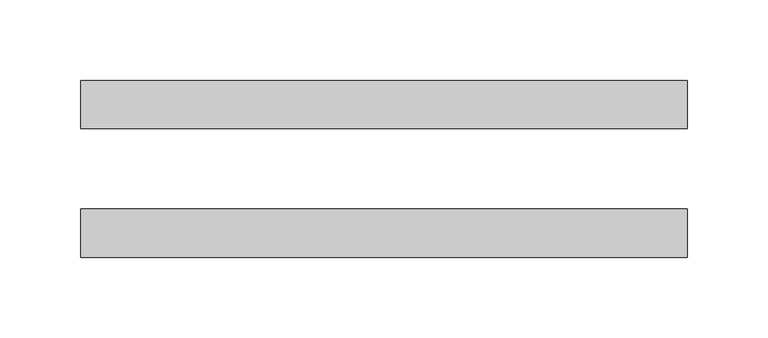
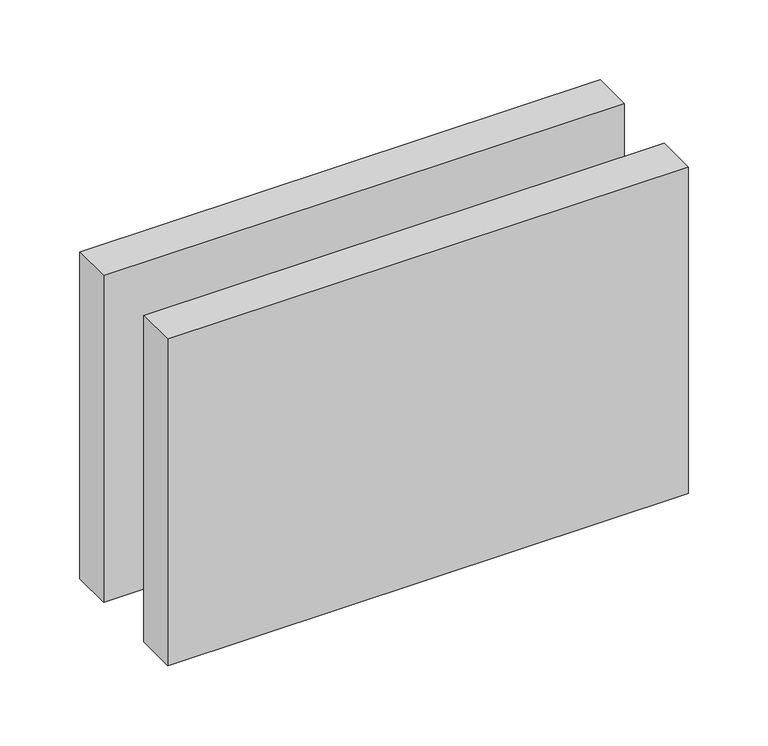
"""IFC4 building model written with IfcOpenShell, lengths in millimetres: proxy geometry."""

from ifc_helpers import new_model, si_unit, origin, origin_with_axes, place, context, project, spatial, polyline, outline, extrude, source, transform, mapped, element, save


def generic_models_d858f4f6(model_context):
    return source(origin(), model_context, "Body", "SweptSolid", [
        extrude(outline(polyline([(376.6553505, 25.0), (0.0, 25.0), (0.0, 55.0), (376.6553505, 55.0), (376.6553505, 25.0)])), origin_with_axes(), (0.0, 0.0, 1.0), 250.0),
        extrude(outline(polyline([(376.6553505, -55.0), (0.0, -55.0), (0.0, -25.0), (376.6553505, -25.0), (376.6553505, -55.0)])), origin_with_axes(), (0.0, 0.0, 1.0), 250.0),
    ])


if __name__ == "__main__":
    model = new_model("IFC4")
    model_context = context("Model", 3, world=origin())
    ifc_project = project(units=[si_unit("LENGTHUNIT", "METRE", prefix="MILLI")], contexts=[model_context])
    site = spatial("IfcSite", under=ifc_project)
    building = spatial("IfcBuilding", under=site)
    placement = place(None, origin())
    generic_models_shape = generic_models_d858f4f6(model_context)
    element("IfcBuildingElementProxy", 1, Name="Generic Models", at=placement, inside=building, context=model_context, shape_type="MappedRepresentation", body=[
        mapped(generic_models_shape, transform((0.0, 0.0, 0.0), x_axis=(1.0, 0.0, 0.0), y_axis=(0.0, 1.0, 0.0), z_axis=(0.0, 0.0, 1.0))),
    ])
    save(model, "model.ifc")
